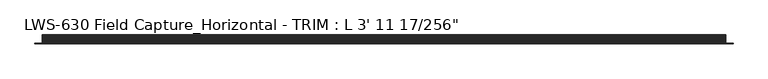
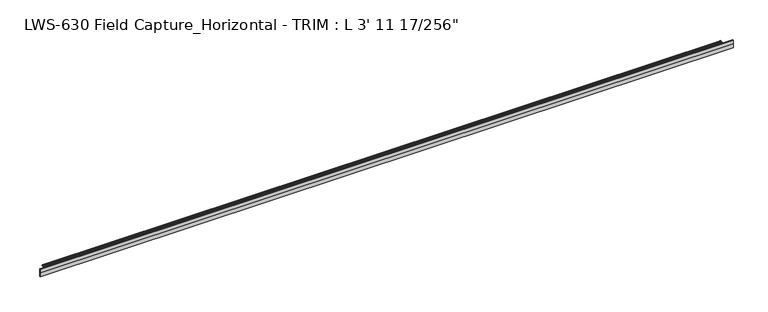
"""IFC4 building model written with IfcOpenShell, lengths in millimetres: proxy geometry."""

from ifc_helpers import new_model, si_unit, origin, place, context, project, spatial, faceted_brep, source, transform, mapped, element, save


def proxy_441c91c3(model_context):
    return source(origin(), model_context, "Body", "Brep", [
        faceted_brep([(1195.4867188, -14.2875, 0.0), (1195.4867188, -14.2875, 13.97), (1195.4867188, -15.5575, 13.97), (1195.4867188, -15.5575, 6.985), (1195.4867188, -15.5575, 0.0), (0.0, -14.2875, 13.97), (0.0, -14.2875, 0.0), (0.0, -15.5575, 0.0), (0.0, -15.5575, 6.985), (0.0, -15.5575, 13.97), (1182.7867188, 0.0, 5.7785), (12.7, 0.0, 5.7785), (12.7, 0.0, 8.1733304), (1182.7867188, 0.0, 8.1733304), (12.7, -0.837652, 8.4455), (1182.7867188, -0.837652, 8.4455), (12.7, -1.6347039, 8.1915), (1182.7867188, -1.6347039, 8.1915), (12.7, -2.4164355, 8.4455), (1182.7867188, -2.4164355, 8.4455), (12.7, -3.2134874, 8.1915), (1182.7867188, -3.2134874, 8.1915), (12.7, -3.9952191, 8.4455), (1182.7867188, -3.9952191, 8.4455), (12.7, -4.792271, 8.1915), (1182.7867188, -4.792271, 8.1915), (12.7, -5.5740026, 8.4455), (1182.7867188, -5.5740026, 8.4455), (12.7, -6.3710545, 8.1915), (1182.7867188, -6.3710545, 8.1915), (12.7, -7.1527861, 8.4455), (1182.7867188, -7.1527861, 8.4455), (12.7, -7.9498381, 8.1915), (1182.7867188, -7.9498381, 8.1915), (12.7, -8.7315697, 8.4455), (1182.7867188, -8.7315697, 8.4455), (12.7, -9.5286216, 8.1915), (1182.7867188, -9.5286216, 8.1915), (12.7, -10.3103532, 8.4455), (1182.7867188, -10.3103532, 8.4455), (12.7, -11.1074051, 8.1915), (1182.7867188, -11.1074051, 8.1915), (12.7, -11.8891368, 8.4455), (1182.7867188, -11.8891368, 8.4455), (12.7, -12.6861887, 8.1915), (1182.7867188, -12.6861887, 8.1915), (12.7, -13.4679203, 8.4455), (1182.7867188, -13.4679203, 8.4455), (12.7, -14.2875, 8.4455), (1182.7867188, -14.2875, 8.4455), (12.7, -14.2875, 5.5063304), (1182.7867188, -14.2875, 5.5063304), (12.7, -13.4679203, 5.5063304), (1182.7867188, -13.4679203, 5.5063304), (12.7, -12.6861887, 5.7603304), (1182.7867188, -12.6861887, 5.7603304), (12.7, -11.8891368, 5.5063304), (1182.7867188, -11.8891368, 5.5063304), (12.7, -11.1074051, 5.7603304), (1182.7867188, -11.1074051, 5.7603304), (12.7, -10.3103532, 5.5063304), (1182.7867188, -10.3103532, 5.5063304), (12.7, -9.5286216, 5.7603304), (1182.7867188, -9.5286216, 5.7603304), (12.7, -8.7315697, 5.5063304), (1182.7867188, -8.7315697, 5.5063304), (12.7, -7.9498381, 5.7603304), (1182.7867188, -7.9498381, 5.7603304), (12.7, -7.1527861, 5.5063304), (1182.7867188, -7.1527861, 5.5063304), (12.7, -6.3710545, 5.7603304), (1182.7867188, -6.3710545, 5.7603304), (12.7, -5.5740026, 5.5063304), (1182.7867188, -5.5740026, 5.5063304), (12.7, -4.792271, 5.7603304), (1182.7867188, -4.792271, 5.7603304), (12.7, -3.9952191, 5.5063304), (1182.7867188, -3.9952191, 5.5063304), (12.7, -3.2134874, 5.7603304), (1182.7867188, -3.2134874, 5.7603304), (12.7, -2.4164355, 5.5063304), (1182.7867188, -2.4164355, 5.5063304), (12.7, -1.6347039, 5.7603304), (1182.7867188, -1.6347039, 5.7603304), (12.7, -0.837652, 5.5063304), (1182.7867188, -0.837652, 5.5063304)], [[[0, 1, 2, 3, 4]], [[5, 6, 7, 8, 9]], [[10, 11, 12, 13]], [[13, 12, 14, 15]], [[15, 14, 16, 17]], [[17, 16, 18, 19]], [[19, 18, 20, 21]], [[21, 20, 22, 23]], [[23, 22, 24, 25]], [[25, 24, 26, 27]], [[27, 26, 28, 29]], [[29, 28, 30, 31]], [[31, 30, 32, 33]], [[33, 32, 34, 35]], [[35, 34, 36, 37]], [[37, 36, 38, 39]], [[39, 38, 40, 41]], [[41, 40, 42, 43]], [[43, 42, 44, 45]], [[45, 44, 46, 47]], [[47, 46, 48, 49]], [[5, 1, 0, 6], [48, 50, 51, 49]], [[2, 1, 5, 9]], [[3, 2, 9, 8]], [[4, 3, 8, 7]], [[0, 4, 7, 6]], [[51, 50, 52, 53]], [[53, 52, 54, 55]], [[55, 54, 56, 57]], [[57, 56, 58, 59]], [[59, 58, 60, 61]], [[61, 60, 62, 63]], [[63, 62, 64, 65]], [[65, 64, 66, 67]], [[67, 66, 68, 69]], [[69, 68, 70, 71]], [[71, 70, 72, 73]], [[73, 72, 74, 75]], [[75, 74, 76, 77]], [[77, 76, 78, 79]], [[79, 78, 80, 81]], [[81, 80, 82, 83]], [[83, 82, 84, 85]], [[11, 10, 85, 84]], [[49, 51, 53, 55, 57, 59, 61, 63, 65, 67, 69, 71, 73, 75, 77, 79, 81, 83, 85, 10, 13, 15, 17, 19, 21, 23, 25, 27, 29, 31, 33, 35, 37, 39, 41, 43, 45, 47]], [[50, 48, 46, 44, 42, 40, 38, 36, 34, 32, 30, 28, 26, 24, 22, 20, 18, 16, 14, 12, 11, 84, 82, 80, 78, 76, 74, 72, 70, 68, 66, 64, 62, 60, 58, 56, 54, 52]]]),
    ])


if __name__ == "__main__":
    model = new_model("IFC4")
    model_context = context("Model", 3, world=origin())
    ifc_project = project(units=[si_unit("LENGTHUNIT", "METRE", prefix="MILLI")], contexts=[model_context])
    site = spatial("IfcSite", under=ifc_project)
    building = spatial("IfcBuilding", under=site)
    placement = place(None, origin())
    proxy_shape = proxy_441c91c3(model_context)
    element("IfcBuildingElementProxy", 1, Name="LWS-630 Field Capture_Horizontal - TRIM : L 3' 11 17/256\"", ObjectType="LWS-630 Field Capture_Horizontal - TRIM : L 3' 11 17/256\"", at=placement, inside=building, context=model_context, shape_type="MappedRepresentation", body=[
        mapped(proxy_shape, transform((0.0, 0.0, 0.0), x_axis=(1.0, 0.0, 0.0), y_axis=(0.0, 1.0, 0.0), z_axis=(0.0, 0.0, 1.0))),
    ])
    save(model, "model.ifc")
